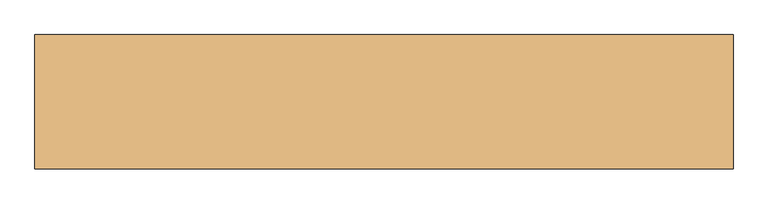
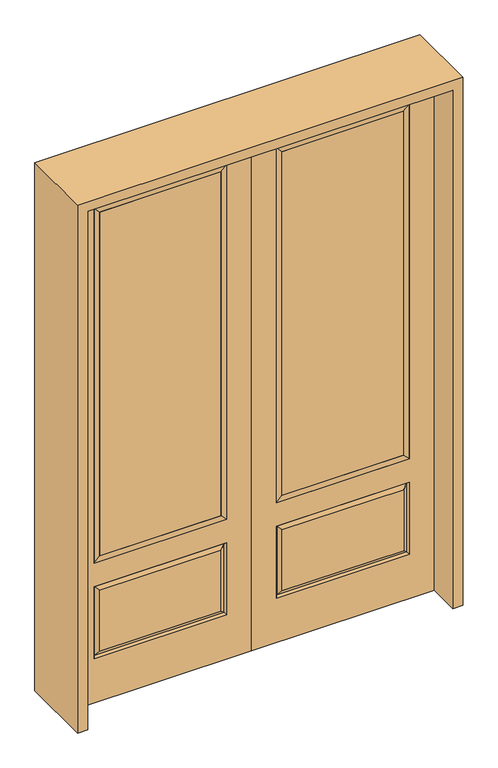
"""IFC4 building model written with IfcOpenShell, lengths in millimetres: door geometry."""

from ifc_helpers import new_model, si_unit, frame, origin, place, context, project, spatial, polyline, outline, extrude, faceted_brep, source, transform, mapped, element, save


def door_d7a0c709(model_context):
    return source(origin(), model_context, "Body", "SolidModel", [
        extrude(outline(polyline([(136.525, -20.32), (136.525, 5.08), (676.275, 5.08), (676.275, -20.32), (136.525, -20.32)])), frame((0.0, 0.0, 682.498), z_axis=(0.0, 0.0, 1.0), x_axis=(1.0, 0.0, 0.0)), (0.0, 0.0, 1.0), 1616.202),
        faceted_brep([(694.5661499, -12.7912373, 216.6588501), (677.06875, -22.225, 234.15625), (135.73125, -22.225, 234.15625), (118.2338501, -12.7912373, 216.6588501), (111.125, -22.225, 209.55), (701.675, -22.225, 209.55), (701.675, -22.225, 546.1), (694.5661499, -12.7912373, 538.9911499), (0.0, -22.225, 2438.4), (0.0, -22.225, 0.0), (812.8, -22.225, 0.0), (812.8, -22.225, 2438.4), (111.125, -22.225, 546.1), (111.125, -22.225, 2324.1), (701.675, -22.225, 2324.1), (701.675, -22.225, 657.098), (111.125, -22.225, 657.098), (677.06875, -22.225, 521.49375), (135.73125, -22.225, 521.49375), (118.2338501, -12.7912373, 538.9911499), (812.8, 22.225, 0.0), (812.8, 22.225, 2438.4), (0.0, 22.225, 0.0), (0.0, 22.225, 2438.4), (111.125, 22.225, 657.098), (111.125, 22.225, 2324.1), (701.675, 22.225, 657.098), (701.675, 22.225, 2324.1), (135.73125, 22.225, 234.15625), (135.73125, 22.225, 521.49375), (677.06875, 22.225, 521.49375), (677.06875, 22.225, 234.15625), (701.675, 22.225, 209.55), (701.675, 22.225, 546.1), (111.125, 22.225, 546.1), (111.125, 22.225, 209.55), (118.2338501, 12.7912373, 216.6588501), (694.5661499, 12.7912373, 216.6588501), (118.2338501, 12.7912373, 538.9911499), (694.5661499, 12.7912373, 538.9911499)], [[[0, 1, 2, 3]], [[3, 4, 5, 0]], [[5, 6, 7, 0]], [[8, 9, 10, 11], [4, 12, 6, 5], [13, 14, 15, 16]], [[1, 17, 18, 2]], [[3, 19, 12, 4]], [[2, 18, 19, 3]], [[0, 7, 17, 1]], [[6, 12, 19, 7]], [[7, 19, 18, 17]], [[10, 20, 21, 11]], [[9, 22, 20, 10]], [[8, 23, 22, 9]], [[16, 24, 25, 13]], [[15, 26, 24, 16]], [[14, 27, 26, 15]], [[28, 29, 30, 31]], [[23, 21, 20, 22], [25, 24, 26, 27], [32, 33, 34, 35]], [[32, 35, 36, 37]], [[35, 34, 38, 36]], [[39, 38, 34, 33]], [[37, 39, 33, 32]], [[36, 28, 31, 37]], [[31, 30, 39, 37]], [[30, 29, 38, 39]], [[36, 38, 29, 28]], [[11, 21, 23, 8]], [[13, 25, 27, 14]]]),
        faceted_brep([(701.675, -22.225, 2324.1), (701.675, -22.225, 657.098), (701.675, 22.225, 657.098), (701.675, 22.225, 2324.1), (111.125, -22.225, 657.098), (111.125, 22.225, 657.098), (136.525, 5.08, 682.498), (676.275, 5.08, 682.498), (111.125, -22.225, 2324.1), (111.125, 22.225, 2324.1), (676.275, -20.32, 682.498), (136.525, -20.32, 682.498), (676.275, -20.32, 2298.7), (136.525, -20.32, 2298.7), (676.275, 5.08, 2298.7), (136.525, 5.08, 2298.7)], [[[0, 1, 2, 3]], [[1, 4, 5, 2]], [[2, 5, 6, 7]], [[4, 8, 9, 5]], [[10, 11, 4, 1]], [[12, 10, 1, 0]], [[11, 13, 8, 4]], [[7, 6, 11, 10]], [[14, 7, 10, 12]], [[6, 15, 13, 11]], [[3, 2, 7, 14]], [[5, 9, 15, 6]], [[8, 0, 3, 9]], [[13, 12, 0, 8]], [[15, 14, 12, 13]], [[9, 3, 14, 15]]]),
        extrude(outline(polyline([(-136.525, -20.32), (-676.275, -20.32), (-676.275, 5.08), (-136.525, 5.08), (-136.525, -20.32)])), frame((0.0, 0.0, 682.498), z_axis=(0.0, 0.0, 1.0), x_axis=(1.0, 0.0, 0.0)), (0.0, 0.0, 1.0), 1616.202),
        faceted_brep([(-694.5661499, -12.7912373, 216.6588501), (-118.2338501, -12.7912373, 216.6588501), (-135.73125, -22.225, 234.15625), (-677.06875, -22.225, 234.15625), (-701.675, -22.225, 209.55), (-111.125, -22.225, 209.55), (-694.5661499, -12.7912373, 538.9911499), (-701.675, -22.225, 546.1), (-135.73125, -22.225, 521.49375), (-677.06875, -22.225, 521.49375), (0.0, -22.225, 2438.4), (-812.8, -22.225, 2438.4), (-812.8, -22.225, 0.0), (0.0, -22.225, 0.0), (-111.125, -22.225, 546.1), (-111.125, -22.225, 2324.1), (-111.125, -22.225, 657.098), (-701.675, -22.225, 657.098), (-701.675, -22.225, 2324.1), (-118.2338501, -12.7912373, 538.9911499), (-812.8, 22.225, 2438.4), (-812.8, 22.225, 0.0), (0.0, 22.225, 0.0), (0.0, 22.225, 2438.4), (-111.125, 22.225, 2324.1), (-111.125, 22.225, 657.098), (-701.675, 22.225, 657.098), (-701.675, 22.225, 2324.1), (-701.675, 22.225, 209.55), (-111.125, 22.225, 209.55), (-111.125, 22.225, 546.1), (-701.675, 22.225, 546.1), (-135.73125, 22.225, 234.15625), (-677.06875, 22.225, 234.15625), (-677.06875, 22.225, 521.49375), (-135.73125, 22.225, 521.49375), (-694.5661499, 12.7912373, 216.6588501), (-118.2338501, 12.7912373, 216.6588501), (-118.2338501, 12.7912373, 538.9911499), (-694.5661499, 12.7912373, 538.9911499)], [[[0, 1, 2, 3]], [[1, 0, 4, 5]], [[4, 0, 6, 7]], [[3, 2, 8, 9]], [[10, 11, 12, 13], [5, 4, 7, 14], [15, 16, 17, 18]], [[1, 5, 14, 19]], [[2, 1, 19, 8]], [[0, 3, 9, 6]], [[7, 6, 19, 14]], [[6, 9, 8, 19]], [[12, 11, 20, 21]], [[13, 12, 21, 22]], [[10, 13, 22, 23]], [[16, 15, 24, 25]], [[17, 16, 25, 26]], [[18, 17, 26, 27]], [[23, 22, 21, 20], [28, 29, 30, 31], [24, 27, 26, 25]], [[32, 33, 34, 35]], [[28, 36, 37, 29]], [[29, 37, 38, 30]], [[39, 31, 30, 38]], [[36, 28, 31, 39]], [[37, 36, 33, 32]], [[33, 36, 39, 34]], [[34, 39, 38, 35]], [[37, 32, 35, 38]], [[11, 10, 23, 20]], [[15, 18, 27, 24]]]),
        faceted_brep([(-701.675, -22.225, 2324.1), (-701.675, 22.225, 2324.1), (-701.675, 22.225, 657.098), (-701.675, -22.225, 657.098), (-111.125, 22.225, 657.098), (-111.125, -22.225, 657.098), (-676.275, 5.08, 682.498), (-136.525, 5.08, 682.498), (-111.125, 22.225, 2324.1), (-111.125, -22.225, 2324.1), (-676.275, -20.32, 682.498), (-136.525, -20.32, 682.498), (-676.275, -20.32, 2298.7), (-136.525, -20.32, 2298.7), (-676.275, 5.08, 2298.7), (-136.525, 5.08, 2298.7)], [[[0, 1, 2, 3]], [[3, 2, 4, 5]], [[2, 6, 7, 4]], [[5, 4, 8, 9]], [[10, 3, 5, 11]], [[12, 0, 3, 10]], [[11, 5, 9, 13]], [[6, 10, 11, 7]], [[14, 12, 10, 6]], [[7, 11, 13, 15]], [[1, 14, 6, 2]], [[4, 7, 15, 8]], [[9, 8, 1, 0]], [[13, 9, 0, 12]], [[15, 13, 12, 14]], [[8, 15, 14, 1]]]),
        extrude(outline(polyline([(2482.85, -857.25), (0.0, -857.25), (0.0, -812.8), (2438.4, -812.8), (2438.4, 812.8), (0.0, 812.8), (0.0, 857.25), (2482.85, 857.25), (2482.85, -857.25)])), frame((0.0, -165.1, 0.0), z_axis=(0.0, 1.0, 0.0), x_axis=(0.0, 0.0, 1.0)), (0.0, 0.0, 1.0), 330.2),
    ])


if __name__ == "__main__":
    model = new_model("IFC4")
    model_context = context("Model", 3, world=origin())
    ifc_project = project(units=[si_unit("LENGTHUNIT", "METRE", prefix="MILLI")], contexts=[model_context])
    site = spatial("IfcSite", under=ifc_project)
    building = spatial("IfcBuilding", under=site)
    placement = place(None, origin())
    door_shape = door_d7a0c709(model_context)
    element("IfcDoor", 1, at=placement, inside=building, context=model_context, shape_type="MappedRepresentation", body=[
        mapped(door_shape, transform((0.0, 0.0, 0.0), x_axis=(1.0, 0.0, 0.0), y_axis=(0.0, 1.0, 0.0), z_axis=(0.0, 0.0, 1.0))),
    ])
    save(model, "model.ifc")
